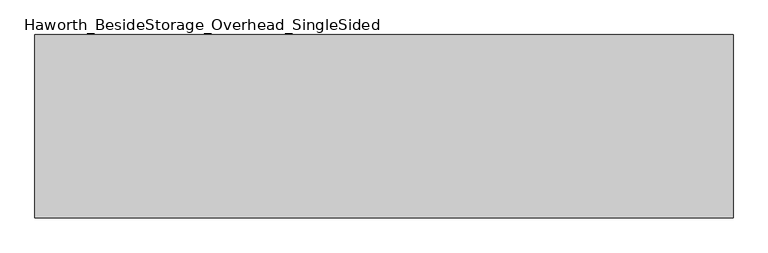
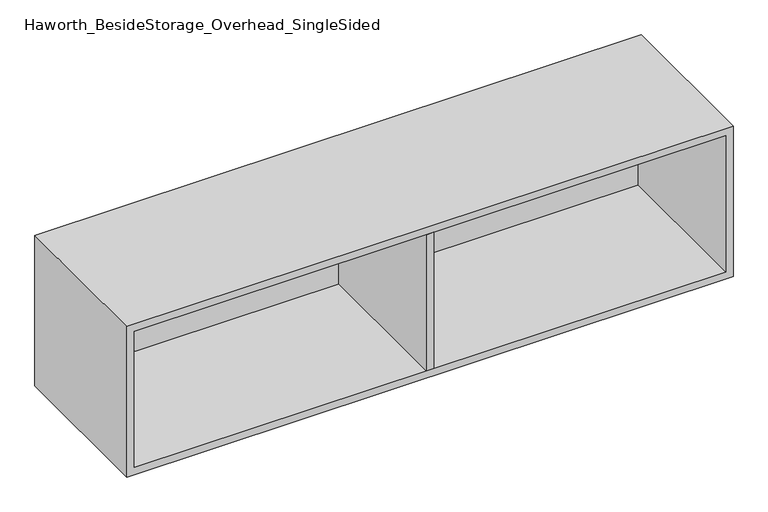
"""IFC4 building model written with IfcOpenShell, lengths in millimetres: furniture geometry, Haworth_BesideStorage_Overhead_SingleSided."""

import ifcopenshell
import ifcopenshell.guid

model = None  # the IFC model being written
_history = None  # IfcOwnerHistory: only IFC2X3 demands one
_inside = {}  # id of a spatial element -> (the spatial element, [elements in it])
_under = {}  # id of a project, library or spatial element -> (it, [spatial elements below it])
_declared = {}  # id of a project -> (the project, [libraries it declares])
_typed = {}  # id of a type object -> (the type object, [elements of that type])
_made_of = {}  # id of a material, layer set ... -> (it, [elements and type objects made of it])


def new_model(schema):
    """Start an empty IFC model of exactly this schema.

    Asked for "IFC4X3", IfcOpenShell would pick the latest addendum, in which some entities
    have other attributes; the version numbers below select the first issue.
    IFC2X3 requires an IfcOwnerHistory on every rooted entity: one is made here for all.
    """
    global model, _history
    if schema == "IFC4X3":
        model = ifcopenshell.file(schema_version=(4, 3, 0, 0))
    else:
        model = ifcopenshell.file(schema=schema)
    _inside.clear()
    _under.clear()
    _declared.clear()
    _typed.clear()
    _made_of.clear()
    _history = None
    if model.schema == "IFC2X3":
        org = make("IfcOrganization", Name="unknown")
        user = make(
            "IfcPersonAndOrganization",
            ThePerson=make("IfcPerson", FamilyName="unknown"),
            TheOrganization=org,
        )
        app = make(
            "IfcApplication",
            ApplicationDeveloper=org,
            Version="unknown",
            ApplicationFullName="unknown",
            ApplicationIdentifier="unknown",
        )
        _history = make(
            "IfcOwnerHistory",
            OwningUser=user,
            OwningApplication=app,
            ChangeAction="ADDED",
            CreationDate=0,
        )
    return model


def make(cls, **values):
    """One entity of the class cls with the attributes given. An attribute that is None is left unset."""
    return model.create_entity(
        cls, **{name: value for name, value in values.items() if value is not None}
    )


def rooted(cls, **values):
    """An entity with a GlobalId (a new one), such as an element, a storey or a relation."""
    return make(cls, GlobalId=ifcopenshell.guid.new(), OwnerHistory=_history, **values)


def si_unit(unit_type, name, prefix=None):
    """IfcSIUnit, for example si_unit("LENGTHUNIT", "METRE", prefix="MILLI")."""
    return make("IfcSIUnit", UnitType=unit_type, Prefix=prefix, Name=name)


def assignment(units):
    """IfcUnitAssignment: the units of a project."""
    return None if units is None else make("IfcUnitAssignment", Units=units)


def point(xyz):
    """IfcCartesianPoint."""
    return None if xyz is None else make("IfcCartesianPoint", Coordinates=xyz)


def direction(xyz):
    """IfcDirection."""
    return None if xyz is None else make("IfcDirection", DirectionRatios=xyz)


def frame(location, z_axis=None, x_axis=None):
    """IfcAxis2Placement3D, a coordinate frame: its origin and axes. An axis left out is left unset."""
    return make(
        "IfcAxis2Placement3D",
        Location=point(location),
        Axis=direction(z_axis),
        RefDirection=direction(x_axis),
    )


def origin():
    """The frame at (0, 0, 0) with its axes left unset."""
    return frame((0.0, 0.0, 0.0))


def place(relative_to, where):
    """IfcLocalPlacement: puts the frame where relative to a parent placement (None: the world)."""
    return make(
        "IfcLocalPlacement", PlacementRelTo=relative_to, RelativePlacement=where
    )


def context(
    kind, dimensions, precision=None, world=None, true_north=None, identifier=None
):
    """IfcGeometricRepresentationContext, for example the 3D "Model" context."""
    return make(
        "IfcGeometricRepresentationContext",
        ContextIdentifier=identifier,
        ContextType=kind,
        CoordinateSpaceDimension=dimensions,
        Precision=precision,
        WorldCoordinateSystem=world,
        TrueNorth=true_north,
    )


def project(units=None, contexts=None):
    """IfcProject with its units and contexts."""
    return rooted(
        "IfcProject",
        Name="project",
        RepresentationContexts=contexts,
        UnitsInContext=assignment(units),
    )


def spatial(cls, under=None, at=None, **own):
    """A site, building, storey or space (cls), placed at a placement, below another one or the project."""
    s = rooted(cls, ObjectPlacement=at, **own)
    if under is not None:
        _under.setdefault(under.id(), (under, []))[1].append(s)
    return s


def polyline(points):
    """IfcPolyline through the points."""
    return make("IfcPolyline", Points=[point(p) for p in points])


def outline(outer, holes=None, kind="AREA"):
    """IfcArbitraryClosedProfileDef: a profile drawn as a closed curve; with holes, ...WithVoids."""
    if holes is None:
        return make("IfcArbitraryClosedProfileDef", ProfileType=kind, OuterCurve=outer)
    return make(
        "IfcArbitraryProfileDefWithVoids",
        ProfileType=kind,
        OuterCurve=outer,
        InnerCurves=holes,
    )


def extrude(swept, where, along, depth):
    """IfcExtrudedAreaSolid: the profile swept, set in the frame where, extruded along a direction by depth."""
    return make(
        "IfcExtrudedAreaSolid",
        SweptArea=swept,
        Position=where,
        ExtrudedDirection=direction(along),
        Depth=depth,
    )


def shape(context_of_items, identifier, shape_type, items):
    """IfcShapeRepresentation: the items that make up one representation, for example the "Body"."""
    return make(
        "IfcShapeRepresentation",
        ContextOfItems=context_of_items,
        RepresentationIdentifier=identifier,
        RepresentationType=shape_type,
        Items=items,
    )


def source(mapping_origin, context_of_items, identifier, shape_type, items):
    """IfcRepresentationMap: a shape defined once, which mapped items show again and again."""
    return make(
        "IfcRepresentationMap",
        MappingOrigin=mapping_origin,
        MappedRepresentation=shape(context_of_items, identifier, shape_type, items),
    )


def transform(
    local_origin,
    x_axis=None,
    y_axis=None,
    z_axis=None,
    scale=None,
    scale2=None,
    scale3=None,
    uniform=True,
):
    """IfcCartesianTransformationOperator3D, or its non-uniform kind. x_axis, y_axis, z_axis: its Axis1, 2, 3."""
    if uniform:
        return make(
            "IfcCartesianTransformationOperator3D",
            Axis1=direction(x_axis),
            Axis2=direction(y_axis),
            LocalOrigin=point(local_origin),
            Scale=scale,
            Axis3=direction(z_axis),
        )
    return make(
        "IfcCartesianTransformationOperator3DnonUniform",
        Axis1=direction(x_axis),
        Axis2=direction(y_axis),
        LocalOrigin=point(local_origin),
        Scale=scale,
        Axis3=direction(z_axis),
        Scale2=scale2,
        Scale3=scale3,
    )


def mapped(mapping_source, mapping_target):
    """IfcMappedItem: shows the shape of a source again, moved by a transform."""
    return make(
        "IfcMappedItem", MappingSource=mapping_source, MappingTarget=mapping_target
    )


def made_of(thing, what):
    """Note that an element or type object is made of a material, layer set ...; save() writes the relation."""
    if what is not None:
        _made_of.setdefault(what.id(), (what, []))[1].append(thing)
    return thing


def element(
    cls,
    number,
    at=None,
    inside=None,
    cuts=None,
    type_object=None,
    material=None,
    context=None,
    identifier="Body",
    shape_type=None,
    held_by="IfcProductDefinitionShape",
    body=None,
    shapes=None,
    **own,
):
    """One element of the class cls, such as IfcWall. Its Tag is "e" and its number.

    at: its placement. inside: the storey or other place that contains it. cuts: it is an
    opening in that element (IfcRelVoidsElement). A single representation is given by context,
    identifier, shape_type and body (its items); several are given by shapes. held_by: the class
    of the entity that holds the representations. save() writes the other relations.
    """
    e = rooted(cls, Tag="e%d" % number, ObjectPlacement=at, **own)
    if body is not None:
        shapes = [shape(context, identifier, shape_type, body)]
    if shapes is not None:
        e.Representation = make(held_by, Representations=shapes)
    if inside is not None:
        _inside.setdefault(inside.id(), (inside, []))[1].append(e)
    if cuts is not None:
        rooted(
            "IfcRelVoidsElement", RelatingBuildingElement=cuts, RelatedOpeningElement=e
        )
    if type_object is not None:
        _typed.setdefault(type_object.id(), (type_object, []))[1].append(e)
    return made_of(e, material)


def aggregate(whole, parts):
    """IfcRelAggregates: a whole, such as a stair, and the parts it consists of."""
    return rooted("IfcRelAggregates", RelatingObject=whole, RelatedObjects=parts)


def save(model, path):
    """Write the relations noted so far, then the file.

    IfcRelAggregates (storeys below a building ...), IfcRelContainedInSpatialStructure (elements
    in a storey), IfcRelDefinesByType, IfcRelAssociatesMaterial and IfcRelDeclares: one each for
    every whole, place, type object, material and project.
    """
    for whole, parts in _under.values():
        aggregate(whole, parts)
    for where, things in _inside.values():
        rooted(
            "IfcRelContainedInSpatialStructure",
            RelatedElements=things,
            RelatingStructure=where,
        )
    for kind, things in _typed.values():
        rooted("IfcRelDefinesByType", RelatedObjects=things, RelatingType=kind)
    for what, things in _made_of.values():
        rooted("IfcRelAssociatesMaterial", RelatedObjects=things, RelatingMaterial=what)
    for by, libraries in _declared.values():
        rooted("IfcRelDeclares", RelatingContext=by, RelatedDefinitions=libraries)
    model.write(path)


def haworth_besidestorage_overhead_singlesided_f181c5a8(model_context):
    return source(origin(), model_context, "Body", "SweptSolid", [
        extrude(outline(polyline([(174.625, -400.05), (155.575, -400.05), (155.575, -19.05), (174.625, -19.05), (174.625, -400.05)])), frame((0.0, 0.0, 781.05), z_axis=(0.0, 0.0, 1.0), x_axis=(1.0, 0.0, 0.0)), (0.0, 0.0, 1.0), 361.95),
        extrude(outline(polyline([(908.05, -19.05), (-577.85, -19.05), (-577.85, 0.0), (908.05, 0.0), (908.05, -19.05)])), frame((0.0, 0.0, 781.05), z_axis=(0.0, 0.0, 1.0), x_axis=(1.0, 0.0, 0.0)), (0.0, 0.0, 1.0), 361.95),
        extrude(outline(polyline([(762.0, 927.1), (1162.05, 927.1), (1162.05, -596.9), (762.0, -596.9), (762.0, 927.1)]), holes=[polyline([(1143.0, 908.05), (781.05, 908.05), (781.05, -577.85), (1143.0, -577.85), (1143.0, 908.05)])]), frame((0.0, -400.05, 0.0), z_axis=(0.0, 1.0, 0.0), x_axis=(0.0, 0.0, 1.0)), (0.0, 0.0, 1.0), 400.05),
    ])


if __name__ == "__main__":
    model = new_model("IFC4")
    model_context = context("Model", 3, world=origin())
    ifc_project = project(units=[si_unit("LENGTHUNIT", "METRE", prefix="MILLI")], contexts=[model_context])
    site = spatial("IfcSite", under=ifc_project)
    building = spatial("IfcBuilding", under=site)
    placement = place(None, origin())
    haworth_besidestorage_overhead_singlesided_shape = haworth_besidestorage_overhead_singlesided_f181c5a8(model_context)
    element("IfcFurniture", 1, ObjectType="Haworth_BesideStorage_Overhead_SingleSided", at=placement, inside=building, context=model_context, shape_type="MappedRepresentation", body=[
        mapped(haworth_besidestorage_overhead_singlesided_shape, transform((0.0, 0.0, 0.0), x_axis=(1.0, 0.0, 0.0), y_axis=(0.0, 1.0, 0.0), z_axis=(0.0, 0.0, 1.0))),
    ])
    save(model, "model.ifc")
